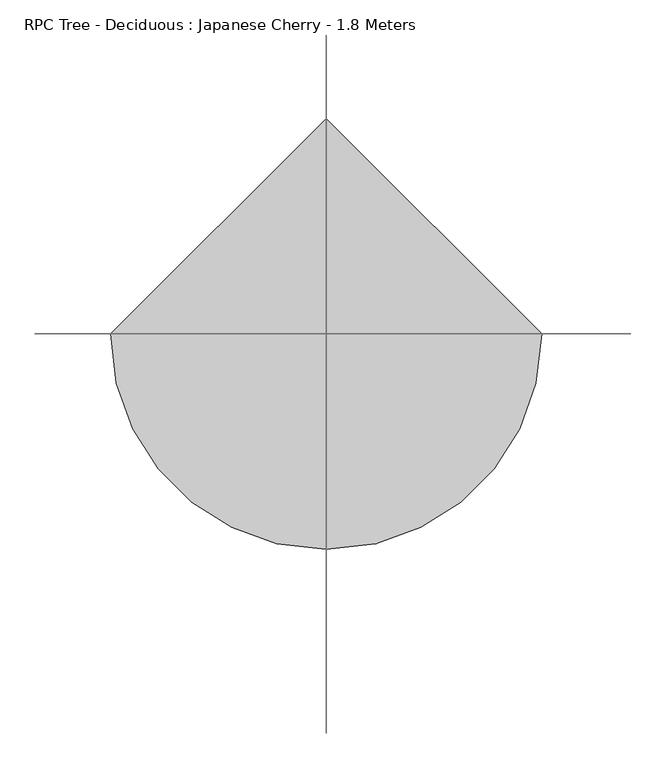
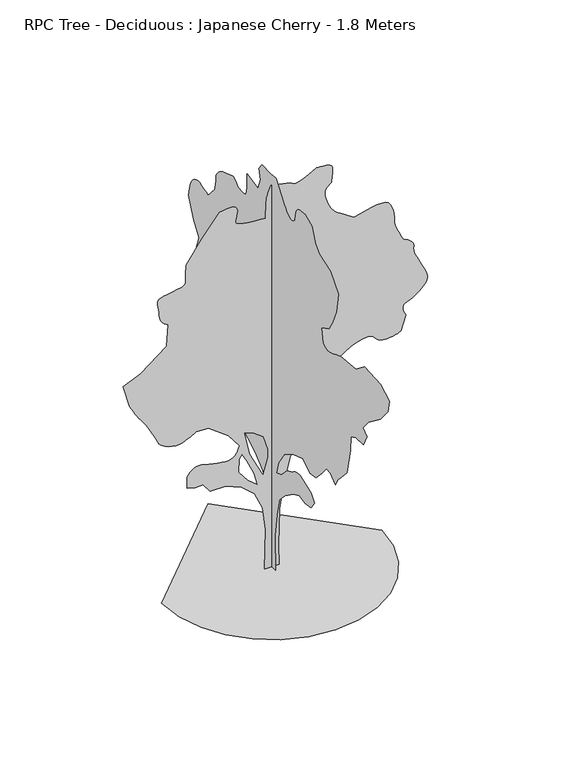
"""IFC4 building model written with IfcOpenShell, lengths in millimetres: geographic element geometry, RPC Tree - Deciduous : Japanese Cherry - 1.8 Meters."""

from ifc_helpers import new_model, si_unit, origin, place, context, project, spatial, triangles, source, transform, mapped, element, save


def rpc_tree_deciduous_japanese_cherry_1_8_meters_42e43ce1(model_context):
    return source(origin(), model_context, "Body", "Tessellation", [
        triangles([(-0.0011035, 29.829025, 0.002344), (-0.0011035, -28.8377224, 0.002344), (-0.0011035, -23.5044179, 157.3351275), (-0.0011035, -39.5043338, 261.3352112), (-0.0011035, -58.1710451, 341.3352699), (-0.0011035, -100.8380855, 386.668295), (-0.0011035, -164.8371406, 432.0023375), (-0.0011035, -207.5041765, 450.6683493), (-0.0011035, -250.1711942, 442.6683652), (-0.0011035, -295.5042375, 450.6683493), (-0.0011035, -319.5042624, 485.3353829), (-0.0011035, -295.5042375, 517.3354282), (-0.0011035, -210.1711648, 546.6684488), (-0.0011035, -202.7541575, 546.0704475), (-0.0011035, -195.4071496, 545.3084301), (-0.0011035, -188.2001585, 544.2194341), (-0.0011035, -181.2031474, 542.6414417), (-0.0011035, -174.4861337, 540.4104369), (-0.0011035, -168.1181358, 537.3624398), (-0.0011035, -162.1711332, 533.3354327), (-0.0011035, -156.2231315, 528.9974344), (-0.0011035, -149.8561237, 525.0784149), (-0.0011035, -143.1391191, 521.5104278), (-0.0011035, -136.1421079, 518.2214207), (-0.0011035, -128.9351078, 515.1434109), (-0.0011035, -121.5880998, 512.2044188), (-0.0011035, -114.1710925, 509.3354078), (-0.0011035, -74.1709587, 466.6683901), (-0.0011035, -34.171027, 450.6683493), (-0.0011035, -50.1710383, 506.6684195), (-0.0011035, -95.5042814, 573.3354621), (-0.0011035, -159.5041267, 613.3355278), (-0.0011035, -234.1711897, 637.3355164), (-0.0011035, -287.5042352, 602.6684827), (-0.0011035, -330.1712711, 608.0024958), (-0.0011035, -375.5042962, 656.0015282), (-0.0011035, -410.1713299, 698.6685459), (-0.0011035, -442.1703578, 696.0015575), (-0.0011035, -476.8373915, 664.002566), (-0.0011035, -498.1703917, 701.3355343), (-0.0011035, -522.1704165, 728.0015665), (-0.0011035, -564.8374706, 773.3356453), (-0.0011035, -591.5034665, 893.3357334), (-0.0011035, -594.1704912, 957.3357513), (-0.0011035, -631.5044769, 973.3347748), (-0.0011035, -690.1705908, 978.6688242), (-0.0011035, -714.1705793, 1029.3308481), (-0.0011035, -684.8375587, 1053.3308367), (-0.0011035, -724.8375881, 1101.3308865), (-0.0011035, -815.5036383, 1170.6709127), (-0.0011035, -874.1706968, 1240.0010559), (-0.0011035, -884.8366882, 1296.0009808), (-0.0011035, -818.1706266, 1333.331115), (-0.0011035, -695.5035501, 1338.6710506), (-0.0011035, -634.1705206, 1290.6710735), (-0.0011035, -516.8374208, 1277.3310448), (-0.0011035, -500.8994039, 1271.0809902), (-0.0011035, -485.3353829, 1265.0409519), (-0.0011035, -470.5163747, 1259.4209461), (-0.0011035, -456.8183736, 1254.4309891), (-0.0011035, -444.6123599, 1250.2809517), (-0.0011035, -434.272366, 1247.1809956), (-0.0011035, -426.1703533, 1245.3309631), (-0.0011035, -418.917344, 1245.2309692), (-0.0011035, -411.2433211, 1246.81096), (-0.0011035, -403.7103144, 1249.4609436), (-0.0011035, -396.8763202, 1252.5809566), (-0.0011035, -391.3023145, 1255.5610073), (-0.0011035, -387.5473111, 1257.7909584), (-0.0011035, -386.1703239, 1258.6709919), (-0.0011035, -372.8373078, 1322.6710098), (-0.0011035, -428.8373417, 1352.0010509), (-0.0011035, -455.504355, 1394.6711208), (-0.0011035, -484.8373755, 1464.0011913), (-0.0011035, -500.8374164, 1552.0011978), (-0.0011035, -439.5043505, 1621.3312683), (-0.0011035, -359.5042917, 1650.6713379), (-0.0011035, -327.5042464, 1680.001379), (-0.0011035, -303.5042397, 1744.0013969), (-0.0011035, -247.5042058, 1765.3314903), (-0.0011035, -238.3841957, 1765.2913765), (-0.0011035, -229.4051834, 1765.0214802), (-0.0011035, -220.7051694, 1764.2814091), (-0.0011035, -212.4251697, 1762.8514091), (-0.0011035, -204.7051649, 1760.4714672), (-0.0011035, -197.6851537, 1756.9414501), (-0.0011035, -191.5041538, 1752.0013447), (-0.0011035, -186.4891438, 1745.821344), (-0.0011035, -182.7341404, 1738.8014236), (-0.0011035, -180.0291457, 1731.0814007), (-0.0011035, -178.163144, 1722.8013828), (-0.0011035, -176.9271366, 1714.1013325), (-0.0011035, -176.1101443, 1705.1213573), (-0.0011035, -175.5041493, 1696.0014198), (-0.0011035, -170.902141, 1690.921352), (-0.0011035, -166.1121354, 1686.2414051), (-0.0011035, -160.9501322, 1682.3614094), (-0.0011035, -155.2281341, 1679.6614288), (-0.0011035, -148.7601241, 1678.5513222), (-0.0011035, -141.358114, 1679.4213272), (-0.0011035, -132.8371043, 1682.6714195), (-0.0011035, -124.3940968, 1687.3913349), (-0.0011035, -117.2110959, 1692.4013489), (-0.0011035, -111.0770863, 1697.641436), (-0.0011035, -105.7820879, 1703.0713371), (-0.0011035, -101.1170837, 1708.6313175), (-0.0011035, -96.8725754, 1714.2914371), (-0.0011035, -92.8375746, 1720.0014084), (-0.0011035, -55.5043428, 1770.671426), (-0.0011035, -31.5043247, 1800.0014671), (-0.0011035, 8.4957268, 1797.3314266), (-0.0011035, 72.4956567, 1800.0014671), (-0.0011035, 96.4955817, 1768.0013855), (-0.0011035, 85.8289726, 1722.6714489), (-0.0011035, 104.4960835, 1672.0012859), (-0.0011035, 187.1621587, 1688.0013268), (-0.0011035, 187.1621587, 1629.3313614), (-0.0011035, 187.7761474, 1620.251247), (-0.0011035, 188.6471516, 1611.4812881), (-0.0011035, 190.0311514, 1603.3713181), (-0.0011035, 192.1851624, 1596.2512585), (-0.0011035, 195.3641653, 1590.4212364), (-0.0011035, 199.827156, 1586.2312305), (-0.0011035, 205.8291697, 1584.0012794), (-0.0011035, 212.6861639, 1583.1712429), (-0.0011035, 219.5431764, 1582.9013466), (-0.0011035, 226.4001888, 1583.0913059), (-0.0011035, 233.257183, 1583.6613293), (-0.0011035, 240.1141954, 1584.5112774), (-0.0011035, 246.9722071, 1585.5413017), (-0.0011035, 253.8292013, 1586.67132), (-0.0011035, 260.118207, 1592.8912891), (-0.0011035, 266.4312119, 1598.7713081), (-0.0011035, 272.7912161, 1603.9512245), (-0.0011035, 279.2202205, 1608.0813503), (-0.0011035, 285.7432235, 1610.8112709), (-0.0011035, 292.3832434, 1611.7912983), (-0.0011035, 299.1622446, 1610.6713085), (-0.0011035, 371.1623011, 1586.67132), (-0.0011035, 381.3783199, 1579.7912167), (-0.0011035, 391.1743063, 1572.7712963), (-0.0011035, 400.1303367, 1565.4713058), (-0.0011035, 407.8273232, 1557.7512829), (-0.0011035, 413.8443252, 1549.471265), (-0.0011035, 417.7623273, 1540.4912899), (-0.0011035, 419.1623508, 1530.6712498), (-0.0011035, 419.473342, 1520.6112534), (-0.0011035, 420.3443281, 1510.9811726), (-0.0011035, 421.6813468, 1501.7012157), (-0.0011035, 423.3913442, 1492.7011837), (-0.0011035, 425.381339, 1483.9011395), (-0.0011035, 427.55835, 1475.2512314), (-0.0011035, 429.8283422, 1466.6712318), (-0.0011035, 480.4953804, 1410.6711617), (-0.0011035, 495.9043962, 1417.4211857), (-0.0011035, 511.1974308, 1423.571101), (-0.0011035, 526.2564317, 1428.5112064), (-0.0011035, 540.9654539, 1431.6312195), (-0.0011035, 555.2084435, 1432.3211483), (-0.0011035, 568.8684746, 1429.9811749), (-0.0011035, 581.8284757, 1424.001162), (-0.0011035, 593.0784794, 1414.7611736), (-0.0011035, 601.9494859, 1403.2711773), (-0.0011035, 608.8374739, 1389.9211201), (-0.0011035, 614.1394758, 1375.0811829), (-0.0011035, 618.2525242, 1359.1211105), (-0.0011035, 621.572525, 1342.411084), (-0.0011035, 624.4955297, 1325.3310219), (-0.0011035, 589.8284597, 1234.6710033), (-0.0011035, 547.1624594, 1176.0009653), (-0.0011035, 581.8284757, 1080.0008657), (-0.0011035, 549.8284304, 1029.3308481), (-0.0011035, 536.767418, 1024.7308382), (-0.0011035, 524.1964193, 1019.9407963), (-0.0011035, 512.6044307, 1014.7807915), (-0.0011035, 502.4813931, 1009.0607918), (-0.0011035, 494.3184102, 1002.5908379), (-0.0011035, 488.6044058, 995.1898361), (-0.0011035, 485.8283761, 986.6687719), (-0.0011035, 484.9193836, 977.6037729), (-0.0011035, 484.4294063, 968.6777916), (-0.0011035, 484.2894075, 959.8697536), (-0.0011035, 484.4294063, 951.1547333), (-0.0011035, 484.7793849, 942.5087494), (-0.0011035, 485.2693986, 933.9107277), (-0.0011035, 485.8283761, 925.334725), (-0.0011035, 475.1623847, 882.6687246), (-0.0011035, 400.4953217, 890.668745), (-0.0011035, 394.2913035, 878.1517038), (-0.0011035, 388.5772991, 865.9607328), (-0.0011035, 383.8423047, 854.423719), (-0.0011035, 380.577315, 843.8657152), (-0.0011035, 379.2712901, 834.6146811), (-0.0011035, 380.4143163, 826.994652), (-0.0011035, 384.4953172, 821.3356951), (-0.0011035, 391.1113014, 816.6396881), (-0.0011035, 399.2203268, 811.8506636), (-0.0011035, 408.3553433, 807.2016741), (-0.0011035, 418.0503548, 802.9256269), (-0.0011035, 427.8383474, 799.2556475), (-0.0011035, 437.2533614, 796.4256603), (-0.0011035, 445.8283467, 794.6686455), (-0.0011035, 453.5953508, 793.1366169), (-0.0011035, 460.9423588, 790.9056484), (-0.0011035, 467.9393881, 788.0916487), (-0.0011035, 474.6563836, 784.8105989), (-0.0011035, 481.1643803, 781.1796432), (-0.0011035, 487.5313972, 777.3156349), (-0.0011035, 493.8283965, 773.3356453), (-0.0011035, 555.1624434, 805.3356543), (-0.0011035, 572.7944704, 809.8366877), (-0.0011035, 589.9374647, 813.9186333), (-0.0011035, 606.1005043, 817.1606592), (-0.0011035, 620.7945202, 819.1426603), (-0.0011035, 633.5294987, 819.4456942), (-0.0011035, 643.8154987, 817.6506729), (-0.0011035, 651.161562, 813.3356747), (-0.0011035, 656.0215124, 807.0766817), (-0.0011035, 659.3405685, 799.8386787), (-0.0011035, 661.3775082, 791.7846645), (-0.0011035, 662.3885656, 783.0766205), (-0.0011035, 662.6295393, 773.8796528), (-0.0011035, 662.3575356, 764.3555975), (-0.0011035, 661.8285707, 754.6686161), (-0.0011035, 652.6625605, 745.0356285), (-0.0011035, 643.3565151, 735.8935993), (-0.0011035, 633.770545, 727.7295628), (-0.0011035, 623.7644697, 721.0355673), (-0.0011035, 613.1984722, 716.3015539), (-0.0011035, 601.9334985, 714.0155743), (-0.0011035, 589.8284597, 714.6685867), (-0.0011035, 577.0084574, 717.4825865), (-0.0011035, 564.0014388, 720.8575985), (-0.0011035, 551.274454, 724.0446133), (-0.0011035, 539.294444, 726.2995628), (-0.0011035, 528.5264239, 726.8746004), (-0.0011035, 519.4384249, 725.024568), (-0.0011035, 512.4954257, 720.0015461), (-0.0011035, 507.2474175, 713.5335543), (-0.0011035, 502.8394017, 707.764575), (-0.0011035, 499.1303985, 702.5795717), (-0.0011035, 495.9824075, 697.8605284), (-0.0011035, 493.2533953, 693.4905916), (-0.0011035, 490.8043805, 689.3545795), (-0.0011035, 488.4954008, 685.3355661), (-0.0011035, 497.5833999, 684.1305525), (-0.0011035, 506.3454014, 682.5525238), (-0.0011035, 514.4544268, 680.2275204), (-0.0011035, 521.5834248, 676.7835445), (-0.0011035, 527.4064342, 671.8465639), (-0.0011035, 531.5974211, 665.0435635), (-0.0011035, 533.8284259, 656.0015282), (-0.0011035, 534.7384357, 645.405518), (-0.0011035, 535.2284494, 634.2484955), (-0.0011035, 535.3684482, 622.6255131), (-0.0011035, 535.2284494, 610.6295156), (-0.0011035, 534.8784345, 598.3534844), (-0.0011035, 534.3884208, 585.8914907), (-0.0011035, 533.8284259, 573.3354621), (-0.0011035, 520.1304248, 563.1274369), (-0.0011035, 506.5244239, 553.3854444), (-0.0011035, 493.1054029, 544.5774427), (-0.0011035, 479.9663793, 537.1684473), (-0.0011035, 467.2013881, 531.6254354), (-0.0011035, 454.9013758, 528.4144395), (-0.0011035, 443.1623757, 528.002437), (-0.0011035, 431.4223583, 529.455437), (-0.0011035, 419.1233271, 531.4694129), (-0.0011035, 406.3573185, 533.9494214), (-0.0011035, 393.2183312, 536.8024449), (-0.0011035, 379.7993102, 539.936447), (-0.0011035, 366.1942904, 543.2554304), (-0.0011035, 352.4952719, 546.6684488), (-0.0011035, 272.4952131, 528.002437), (-0.0011035, 179.1621383, 480.0023872), (-0.0011035, 125.8291019, 450.6683493), (-0.0011035, 64.4956499, 400.0023285), (-0.0011035, 27.1623228, 322.6692581), (-0.0011035, 16.4957137, 213.3351796), (-0.0011035, 27.1623228, 104.0020821), (31.5788251, 0.0001005, 0.0), (-32.421127, 0.0001005, 0.0), (-27.0878224, 8.79e-05, 181.333154), (-40.4210338, 7.95e-05, 285.3332376), (-75.0877587, 7.53e-05, 359.9992833), (-131.0881014, 7.53e-05, 410.6663215), (-200.4211604, 7.12e-05, 439.9993421), (-267.087222, 7.12e-05, 439.9993421), (-299.0882483, 7.12e-05, 479.9993714), (-333.7542646, 7.12e-05, 479.9993714), (-368.4212983, 7.12e-05, 487.9993918), (-368.4212983, 6.7e-05, 538.66643), (-361.5172866, 6.7e-05, 547.7234353), (-354.3332774, 6.7e-05, 556.2674632), (-346.5902907, 6.28e-05, 563.7854636), (-338.0072754, 6.28e-05, 569.7644591), (-328.3042703, 6.28e-05, 573.690455), (-317.202259, 6.28e-05, 575.0514547), (-304.421244, 6.28e-05, 573.3334637), (-289.2452263, 6.28e-05, 569.4924554), (-271.8302283, 6.28e-05, 565.1384697), (-253.2022047, 6.7e-05, 560.7384476), (-234.3881823, 6.7e-05, 556.7574406), (-216.4131712, 6.7e-05, 553.6634434), (-200.3041617, 6.7e-05, 551.9214349), (-187.0871451, 6.7e-05, 551.9994461), (-176.5921462, 6.7e-05, 554.386437), (-167.7761327, 6.7e-05, 559.0124628), (-160.3591254, 6.28e-05, 565.5044721), (-154.0611268, 6.28e-05, 573.4884687), (-148.6041198, 6.28e-05, 582.5924552), (-143.7061175, 6.28e-05, 592.4424717), (-139.0881127, 6.28e-05, 602.6664843), (-187.0871451, 5.86e-05, 666.6665022), (-275.0872242, 5.44e-05, 730.6665928), (-328.4212689, 5.44e-05, 733.3325638), (-337.0272843, 5.44e-05, 728.2015543), (-345.8432796, 5.44e-05, 723.1405987), (-355.0802885, 5.44e-05, 718.2196054), (-364.9453114, 5.44e-05, 713.5076111), (-375.6513076, 5.44e-05, 709.0765589), (-387.406295, 5.44e-05, 704.9945406), (-400.4213073, 5.86e-05, 701.3325548), (-415.3943396, 5.86e-05, 700.0655537), (-432.0473565, 5.86e-05, 702.6235371), (-449.1203696, 5.44e-05, 708.2596029), (-465.3543715, 5.44e-05, 716.2285933), (-479.4883924, 5.44e-05, 725.783606), (-490.2633888, 5.44e-05, 736.178611), (-496.4203895, 5.44e-05, 746.6666336), (-501.79339, 5.44e-05, 759.7425797), (-510.3374179, 5.02e-05, 777.1576504), (-520.9804092, 5.02e-05, 797.0456079), (-532.6504455, 5.02e-05, 817.5386885), (-544.2734279, 5.02e-05, 836.7726889), (-554.7764568, 4.6e-05, 852.881662), (-563.0874684, 4.6e-05, 863.9997334), (-570.1004488, 4.6e-05, 872.8547161), (-577.3924819, 4.6e-05, 883.2497211), (-584.918476, 4.6e-05, 894.9266973), (-592.6304689, 4.6e-05, 907.629701), (-600.4824969, 4.19e-05, 921.1037333), (-608.4284872, 4.19e-05, 935.0897255), (-616.4205139, 4.19e-05, 949.3327515), (-645.7545519, 3.77e-05, 1050.6708246), (-568.4204641, 3.35e-05, 1082.6709063), (-456.4213775, 2.93e-05, 1170.6709127), (-451.0873644, 2.09e-05, 1266.6610565), (-459.0333547, 2.09e-05, 1272.4310532), (-466.6523664, 2.09e-05, 1278.4710915), (-473.6183656, 2.09e-05, 1285.0709793), (-479.6043737, 2.09e-05, 1292.5110775), (-484.2843933, 2.09e-05, 1301.0710201), (-487.3323904, 2.09e-05, 1311.0310226), (-488.4213864, 2.09e-05, 1322.6611267), (-489.3853901, 1.67e-05, 1335.7610538), (-491.5613837, 1.67e-05, 1349.4211212), (-493.8783935, 1.67e-05, 1362.9011124), (-495.2623933, 1.67e-05, 1375.4410446), (-494.6404109, 1.67e-05, 1386.3011375), (-490.9394013, 1.67e-05, 1394.7311462), (-483.0873734, 1.67e-05, 1400.0011734), (-469.3343611, 1.67e-05, 1403.3111458), (-450.4503757, 1.26e-05, 1406.5811497), (-429.1403392, 1.26e-05, 1410.0711983), (-408.1103365, 1.26e-05, 1414.0911564), (-390.065326, 1.26e-05, 1418.8911541), (-377.7113199, 1.26e-05, 1424.7711731), (-373.754294, 1.26e-05, 1432.0011097), (-374.5862926, 1.26e-05, 1440.70116), (-374.8582964, 1.26e-05, 1450.6611626), (-374.6632865, 1.26e-05, 1461.6712463), (-374.0963153, 1.26e-05, 1473.5112213), (-373.2493103, 8.4e-06, 1485.9911282), (-372.2152891, 8.4e-06, 1498.8912128), (-371.0873056, 8.4e-06, 1512.0011684), (-304.421244, 4.2e-06, 1608.001268), (-227.0881918, -4.2e-06, 1704.0013676), (-210.6291674, -4.2e-06, 1706.7413166), (-194.8471547, -4.2e-06, 1708.8113937), (-180.4171489, -4.2e-06, 1709.5314079), (-168.0171427, -4.2e-06, 1708.2114304), (-158.3221313, -4.2e-06, 1704.1913269), (-152.0091263, -4.2e-06, 1696.7913425), (-149.7541223, 0.0, 1685.3314316), (-150.8661183, 0.0, 1672.4213184), (-153.4241199, 0.0, 1661.0413445), (-156.2621189, 0.0, 1651.1213104), (-158.2131263, 0.0, 1642.5413109), (-158.1121332, 0.0, 1635.2212635), (-154.7921323, 0.0, 1629.0713482), (-147.0881149, 0.0, 1624.0013088), (-135.4031087, 0.0, 1619.8912399), (-121.1980982, 0.0, 1616.6312645), (-104.8950871, 4.2e-06, 1614.0613632), (-86.9128726, 4.2e-06, 1612.06134), (-67.6708558, 4.2e-06, 1610.4713207), (-47.5892373, 4.2e-06, 1609.1613716), (-27.0878224, 4.2e-06, 1608.001268), (-24.4210203, 0.0, 1680.001379), (-23.7990197, -4.2e-06, 1690.2113663), (-22.0575176, -4.2e-06, 1700.2713627), (-19.3831147, -4.2e-06, 1710.2213367), (-15.9623126, -4.2e-06, 1720.0813454), (-11.9817098, -4.2e-06, 1729.8714455), (-7.6280262, -4.2e-06, 1739.6114033), (-3.0877024, -4.2e-06, 1749.3314495), (15.1125121, -4.2e-06, 1745.8913979), (32.7996263, -4.2e-06, 1742.4113777), (49.4604394, -4.2e-06, 1738.8413921), (64.5819501, -4.2e-06, 1735.1214157), (77.6509652, -4.2e-06, 1731.2213631), (88.1543757, -4.2e-06, 1727.0813541), (95.578977, -4.2e-06, 1722.6614204), (105.2430855, -4.2e-06, 1721.3713829), (120.9700961, -4.2e-06, 1725.4013695), (140.0101131, -4.2e-06, 1732.8814362), (159.610134, -4.2e-06, 1741.9513767), (177.0171384, -4.2e-06, 1750.7313641), (189.4791502, -8.4e-06, 1757.3713657), (194.2451566, -8.4e-06, 1760.0014378), (198.0861649, -8.4e-06, 1760.0813747), (207.9911744, -8.4e-06, 1759.9713524), (221.5341704, -8.4e-06, 1759.1613728), (236.2901919, -8.4e-06, 1757.1414379), (249.8332061, -4.2e-06, 1753.3913761), (259.7382156, -4.2e-06, 1747.4014801), (263.5792058, -4.2e-06, 1738.6614613), (263.4232196, -4.2e-06, 1728.531411), (262.9882171, -4.2e-06, 1718.6814308), (262.3192173, -4.2e-06, 1709.0714069), (261.4642186, -4.2e-06, 1699.6413139), (260.469203, -4.2e-06, 1690.3513287), (259.380207, 0.0, 1681.1513088), (258.2452108, 0.0, 1672.0012859), (251.4502041, 0.0, 1666.8013126), (245.0291934, 0.0, 1661.3113861), (239.3531954, 0.0, 1655.2012939), (234.7971871, 0.0, 1648.1914021), (231.7341837, 0.0, 1639.9712643), (230.5371819, 0.0, 1630.2313065), (231.5791786, 0.0, 1618.6613731), (234.4861959, 4.2e-06, 1605.8412254), (238.5131849, 4.2e-06, 1592.7812668), (243.4742011, 4.2e-06, 1579.901239), (249.1801937, 4.2e-06, 1567.6312031), (255.4461993, 4.2e-06, 1556.3911915), (262.0862191, 4.2e-06, 1546.5912083), (268.9122196, 8.4e-06, 1538.6613144), (276.9352219, 8.4e-06, 1531.421204), (287.0582232, 8.4e-06, 1523.4712532), (298.9292464, 8.4e-06, 1514.9412506), (312.2012561, 8.4e-06, 1505.951247), (326.5212759, 8.4e-06, 1496.6012363), (341.5412893, 8.4e-06, 1487.031181), (356.9122988, 8.4e-06, 1477.3311916), (383.6563059, 8.4e-06, 1484.651239), (409.7243368, 8.4e-06, 1491.2912407), (434.4393617, 8.4e-06, 1496.571151), (457.1263853, 8.4e-06, 1499.8312717), (477.1063794, 8.4e-06, 1500.3812382), (493.7054026, 8.4e-06, 1497.5511784), (506.2454075, 8.4e-06, 1490.6611919), (515.2794127, 8.4e-06, 1479.4611488), (522.0274384, 1.26e-05, 1465.0412441), (526.8164266, 1.26e-05, 1448.7511047), (529.9734286, 1.26e-05, 1431.9511127), (531.8234247, 1.26e-05, 1415.9911858), (532.6944471, 1.67e-05, 1402.221096), (532.9124207, 1.67e-05, 1392.0010803), (534.9804268, 1.67e-05, 1381.1011642), (540.3134225, 1.67e-05, 1365.8611061), (547.6054556, 1.67e-05, 1348.4810623), (555.5514459, 2.09e-05, 1331.1411324), (562.84446, 2.09e-05, 1316.0410366), (568.1774557, 2.09e-05, 1305.3710484), (570.2454618, 2.09e-05, 1301.3310333), (573.0364614, 2.09e-05, 1300.221072), (580.1654594, 2.09e-05, 1297.0110935), (589.7674896, 2.09e-05, 1291.8910572), (599.9754785, 2.09e-05, 1285.0410393), (608.9234788, 2.09e-05, 1276.6509991), (614.7464882, 2.09e-05, 1266.9110413), (615.5784868, 2.51e-05, 1256.0009514), (614.5364719, 2.51e-05, 1244.8410221), (615.7345093, 2.51e-05, 1234.0110146), (618.7974764, 2.51e-05, 1223.181007), (623.353521, 2.51e-05, 1212.0309608), (629.0285379, 2.51e-05, 1200.2209986), (635.4505297, 2.93e-05, 1187.4309362), (642.2455364, 2.93e-05, 1173.3309248), (650.0045105, 2.93e-05, 1158.0409424), (658.6035496, 2.93e-05, 1142.0908985), (666.5955036, 2.93e-05, 1125.8208887), (672.5345306, 3.35e-05, 1109.5508789), (674.9765327, 3.35e-05, 1093.6009077), (672.4725431, 3.35e-05, 1078.3108526), (663.5785366, 3.35e-05, 1064.0008249), (651.5985266, 3.77e-05, 1051.5308739), (640.5505091, 3.77e-05, 1041.3008297), (630.0624865, 3.77e-05, 1032.9308464), (619.7615164, 3.77e-05, 1026.0608442), (609.2734938, 3.77e-05, 1020.3108318), (598.2264936, 3.77e-05, 1015.3008179), (586.2454662, 3.77e-05, 1010.6707952), (576.0844585, 3.77e-05, 1005.3208311), (570.2604681, 3.77e-05, 998.5687723), (568.0524633, 3.77e-05, 990.6547932), (568.7374506, 4.19e-05, 981.8067867), (571.5904741, 4.19e-05, 972.2597677), (575.8894486, 4.19e-05, 962.2467888), (580.9124705, 4.19e-05, 951.9997398), (559.578453, 4.6e-05, 885.3327335), (552.07644, 4.6e-05, 881.9357025), (544.1304497, 4.6e-05, 878.7247066), (535.2984306, 4.6e-05, 875.8867258), (525.1374229, 4.6e-05, 873.6087399), (513.203413, 4.6e-05, 872.0777287), (499.0534046, 4.6e-05, 871.47871), (482.2453826, 4.6e-05, 871.9996811), (467.1473943, 4.6e-05, 875.4586996), (456.8073641, 4.6e-05, 882.370705), (448.79935, 4.6e-05, 890.9617504), (440.6983546, 4.6e-05, 899.4587608), (430.0783633, 4.6e-05, 906.0906961), (414.513325, 4.6e-05, 909.0837547), (391.5783151, 4.6e-05, 906.6657337), (365.0603116, 4.6e-05, 899.1326906), (340.7332718, 4.6e-05, 888.520693), (319.1592616, 4.6e-05, 875.6687159), (300.8962412, 4.6e-05, 861.4187136), (286.5062402, 4.6e-05, 846.607699), (276.5462195, 5.02e-05, 832.0776993), (271.5792262, 5.02e-05, 818.6666719), (271.4702212, 5.02e-05, 806.7166746), (275.2792183, 5.02e-05, 795.8866671), (282.3542225, 5.02e-05, 785.9896694), (292.0412403, 5.02e-05, 776.8396465), (303.6872409, 5.44e-05, 768.2486012), (316.6402657, 5.44e-05, 760.0306435), (330.2452492, 5.44e-05, 751.999593), (338.1832821, 5.44e-05, 746.8216387), (345.7482636, 5.44e-05, 741.4335955), (352.5662704, 5.44e-05, 735.6266098), (358.2653049, 5.44e-05, 729.1895754), (362.4712981, 5.44e-05, 721.9125486), (364.8113079, 5.44e-05, 713.585586), (364.9122828, 5.44e-05, 703.9995432), (363.8473042, 5.86e-05, 692.3145733), (362.922288, 5.86e-05, 678.1105711), (362.1132895, 5.86e-05, 661.8075691), (361.3982895, 5.86e-05, 643.8245098), (360.7522897, 6.28e-05, 624.5825157), (360.1542884, 6.28e-05, 604.501474), (359.5783061, 6.28e-05, 583.9994551), (345.8492749, 6.28e-05, 573.8304537), (332.0262815, 6.28e-05, 564.3614459), (318.0162718, 6.7e-05, 556.2914443), (303.7262465, 6.7e-05, 550.3204425), (289.0642417, 6.7e-05, 547.1484341), (273.9342241, 6.7e-05, 547.4744316), (258.2452108, 6.7e-05, 551.9994461), (242.4792037, 6.7e-05, 558.0014417), (227.1321754, 6.7e-05, 562.4644687), (212.1341628, 6.28e-05, 565.6444708), (197.417165, 6.28e-05, 567.7974644), (182.9101471, 6.28e-05, 569.1814642), (168.543128, 6.28e-05, 570.0524503), (154.2451272, 6.28e-05, 570.6664753), (108.912084, 6.7e-05, 541.3334547), (79.5789634, 7.12e-05, 474.6663757), (50.2455386, 7.53e-05, 362.666308), (34.2456273, 8.37e-05, 253.3332105), (28.9122228, 9.21e-05, 93.3332747), (-37.7544315, 3.35e-05, 431.999358), (-16.4211134, 2.93e-05, 506.666421), (-16.4211134, 2.51e-05, 543.9994257), (-35.0876294, 2.09e-05, 607.99948), (-83.0875701, 2.09e-05, 642.6665136), (-120.4211017, 2.09e-05, 655.9995661), (-96.4210768, 2.51e-05, 549.3334388), (-61.754252, 2.51e-05, 397.3333054), (-77.7542656, 2.51e-05, 455.9993829), (-107.0880856, 2.09e-05, 519.9994371), (-128.4211039, 1.67e-05, 559.9994665), (-141.7541109, 1.67e-05, 541.3334547), (-144.4211175, 2.09e-05, 482.6663961), (-104.4210881, 2.51e-05, 431.999358), (-477.5263756, 0.0, 0.0018082), (-464.9023642, -109.4170858, 0.0018082), (-428.9483451, -209.9001785, 0.0018082), (-372.5443025, -298.5682401, 0.0018082), (-298.5682401, -372.5443025, 0.0018082), (-209.9001785, -428.9483451, 0.0018082), (-109.4170858, -464.9023642, 0.0018082), (2.09e-05, -477.5263756, 0.0018082), (109.4170858, -464.9023642, 0.0018082), (209.9001785, -428.9483451, 0.0018082), (298.5682401, -372.5443025, 0.0018082), (372.5443025, -298.5682401, 0.0018082), (428.9483451, -209.9001785, 0.0018082), (464.9023642, -109.4170858, 0.0018082), (477.5263756, 4.19e-05, 0.0018082), (-6.26e-05, 477.5263756, 0.0018082)], [[38, 39, 40], [115, 116, 117], [1, 2, 3], [280, 1, 3], [279, 280, 3], [279, 3, 4], [278, 279, 4], [278, 4, 5], [186, 187, 188], [277, 278, 5], [46, 47, 48], [45, 46, 48], [277, 5, 6], [185, 186, 188], [10, 11, 12], [9, 10, 12], [9, 12, 13], [8, 9, 13], [8, 13, 14], [8, 14, 15], [8, 15, 16], [8, 16, 17], [8, 17, 18], [8, 18, 19], [8, 19, 20], [8, 20, 21], [7, 8, 21], [7, 21, 22], [7, 22, 23], [7, 23, 24], [7, 24, 25], [7, 25, 26], [6, 7, 26], [6, 26, 27], [6, 27, 28], [277, 6, 28], [277, 28, 29], [51, 52, 53], [50, 51, 53], [50, 53, 54], [50, 54, 55], [49, 50, 55], [49, 55, 56], [48, 49, 56], [48, 56, 57], [45, 48, 57], [44, 45, 57], [44, 57, 58], [44, 58, 59], [44, 59, 60], [44, 60, 61], [44, 61, 62], [44, 62, 63], [276, 277, 29], [276, 29, 30], [184, 185, 188], [183, 184, 188], [44, 63, 64], [115, 117, 118], [111, 112, 113], [111, 113, 114], [182, 183, 188], [109, 110, 111], [109, 111, 114], [108, 109, 114], [108, 114, 115], [107, 108, 115], [106, 107, 115], [105, 106, 115], [104, 105, 115], [115, 118, 119], [170, 171, 172], [170, 172, 173], [170, 173, 174], [170, 174, 175], [74, 75, 76], [74, 76, 77], [73, 74, 77], [72, 73, 77], [71, 72, 77], [258, 259, 260], [181, 182, 188], [78, 79, 80], [170, 175, 176], [103, 104, 115], [78, 80, 81], [44, 64, 65], [275, 276, 30], [275, 30, 31], [274, 275, 31], [78, 81, 82], [78, 82, 83], [78, 83, 84], [78, 84, 85], [78, 85, 86], [78, 86, 87], [78, 87, 88], [78, 88, 89], [78, 89, 90], [78, 90, 91], [78, 91, 92], [78, 92, 93], [78, 93, 94], [78, 94, 95], [78, 95, 96], [71, 77, 78], [71, 78, 96], [71, 96, 97], [71, 97, 98], [71, 98, 99], [71, 99, 100], [115, 119, 120], [180, 181, 188], [38, 40, 41], [223, 224, 225], [33, 34, 35], [33, 35, 36], [33, 36, 37], [102, 103, 115], [179, 180, 188], [44, 65, 66], [170, 176, 177], [71, 100, 101], [43, 44, 66], [42, 43, 66], [41, 42, 66], [38, 41, 66], [37, 38, 66], [33, 37, 66], [33, 66, 67], [33, 67, 68], [33, 68, 69], [33, 69, 70], [32, 33, 70], [31, 32, 70], [274, 31, 70], [273, 274, 70], [273, 70, 71], [273, 71, 101], [273, 101, 102], [273, 102, 115], [273, 115, 120], [273, 120, 121], [273, 121, 122], [273, 122, 123], [273, 123, 124], [273, 124, 125], [273, 125, 126], [273, 126, 127], [273, 127, 128], [273, 128, 129], [273, 129, 130], [273, 130, 131], [272, 273, 131], [271, 272, 131], [270, 271, 131], [269, 270, 131], [268, 269, 131], [268, 131, 132], [268, 132, 133], [268, 133, 134], [167, 168, 169], [257, 258, 260], [257, 260, 261], [256, 257, 261], [256, 261, 262], [255, 256, 262], [255, 262, 263], [254, 255, 263], [254, 263, 264], [254, 264, 265], [254, 265, 266], [254, 266, 267], [254, 267, 268], [253, 254, 268], [252, 253, 268], [251, 252, 268], [250, 251, 268], [249, 250, 268], [248, 249, 268], [247, 248, 268], [246, 247, 268], [245, 246, 268], [166, 167, 169], [165, 166, 169], [164, 165, 169], [163, 164, 169], [162, 163, 169], [161, 162, 169], [160, 161, 169], [159, 160, 169], [158, 159, 169], [157, 158, 169], [156, 157, 169], [155, 156, 169], [154, 155, 169], [154, 169, 170], [154, 170, 177], [153, 154, 177], [153, 177, 178], [153, 178, 179], [153, 179, 188], [222, 223, 225], [222, 225, 226], [221, 222, 226], [220, 221, 226], [219, 220, 226], [218, 219, 226], [217, 218, 226], [216, 217, 226], [215, 216, 226], [214, 215, 226], [213, 214, 226], [212, 213, 226], [212, 226, 227], [212, 227, 228], [212, 228, 229], [212, 229, 230], [212, 230, 231], [211, 212, 231], [211, 231, 232], [211, 232, 233], [210, 211, 233], [209, 210, 233], [209, 233, 234], [209, 234, 235], [209, 235, 236], [209, 236, 237], [209, 237, 238], [209, 238, 239], [209, 239, 240], [208, 209, 240], [208, 240, 241], [207, 208, 241], [206, 207, 241], [206, 241, 242], [205, 206, 242], [204, 205, 242], [204, 242, 243], [203, 204, 243], [202, 203, 243], [202, 243, 244], [201, 202, 244], [201, 244, 245], [201, 245, 268], [200, 201, 268], [199, 200, 268], [198, 199, 268], [197, 198, 268], [196, 197, 268], [195, 196, 268], [194, 195, 268], [153, 188, 189], [153, 189, 190], [152, 153, 190], [152, 190, 191], [151, 152, 191], [136, 137, 138], [135, 136, 138], [135, 138, 139], [134, 135, 139], [134, 139, 140], [134, 140, 141], [134, 141, 142], [134, 142, 143], [134, 143, 144], [134, 144, 145], [134, 145, 146], [134, 146, 147], [134, 147, 148], [134, 148, 149], [134, 149, 150], [134, 150, 151], [134, 151, 191], [134, 191, 192], [134, 192, 193], [268, 134, 193], [194, 268, 193], [583, 580, 581], [574, 281, 575], [580, 583, 584], [573, 574, 575], [583, 581, 575], [580, 584, 585], [572, 573, 575], [582, 583, 575], [582, 575, 281], [571, 572, 575], [571, 575, 576], [281, 282, 283], [570, 571, 576], [570, 576, 577], [344, 345, 346], [290, 291, 292], [406, 407, 408], [570, 577, 578], [290, 292, 293], [289, 290, 293], [289, 293, 294], [289, 294, 295], [289, 295, 296], [289, 296, 297], [289, 297, 298], [289, 298, 299], [289, 299, 300], [289, 300, 301], [289, 301, 302], [289, 302, 303], [288, 289, 303], [287, 288, 303], [287, 303, 304], [287, 304, 305], [287, 305, 306], [286, 287, 306], [286, 306, 307], [286, 307, 308], [286, 308, 309], [569, 570, 578], [554, 555, 556], [405, 406, 408], [343, 344, 346], [512, 513, 514], [511, 512, 514], [511, 514, 515], [511, 515, 516], [511, 516, 517], [510, 511, 517], [510, 517, 518], [510, 518, 519], [510, 519, 520], [510, 520, 521], [510, 521, 522], [510, 522, 523], [510, 523, 524], [509, 510, 524], [509, 524, 525], [508, 509, 525], [434, 435, 436], [342, 343, 346], [507, 508, 525], [507, 525, 526], [405, 408, 409], [404, 405, 409], [403, 404, 409], [403, 409, 410], [402, 403, 410], [401, 402, 410], [400, 401, 410], [400, 410, 411], [399, 400, 411], [399, 411, 412], [399, 412, 413], [399, 413, 414], [399, 414, 415], [377, 378, 379], [341, 342, 346], [341, 346, 347], [340, 341, 347], [339, 340, 347], [338, 339, 347], [337, 338, 347], [336, 337, 347], [335, 336, 347], [334, 335, 347], [333, 334, 347], [377, 379, 380], [377, 380, 381], [377, 381, 382], [377, 382, 383], [377, 383, 384], [377, 384, 385], [377, 385, 386], [377, 386, 387], [377, 387, 388], [377, 388, 389], [377, 389, 390], [377, 390, 391], [376, 377, 391], [376, 391, 392], [375, 376, 392], [374, 375, 392], [373, 374, 392], [372, 373, 392], [372, 392, 393], [371, 372, 393], [370, 371, 393], [369, 370, 393], [369, 393, 394], [369, 394, 395], [369, 395, 396], [332, 333, 347], [369, 396, 397], [426, 427, 428], [426, 428, 429], [425, 426, 429], [425, 429, 430], [424, 425, 430], [424, 430, 431], [423, 424, 431], [423, 431, 432], [422, 423, 432], [422, 432, 433], [421, 422, 433], [420, 421, 433], [419, 420, 433], [418, 419, 433], [418, 433, 434], [418, 434, 436], [418, 436, 437], [418, 437, 438], [418, 438, 439], [417, 418, 439], [417, 439, 440], [416, 417, 440], [416, 440, 441], [415, 416, 441], [399, 415, 441], [399, 441, 442], [399, 442, 443], [399, 443, 444], [399, 444, 445], [399, 445, 446], [399, 446, 447], [399, 447, 448], [399, 448, 449], [369, 397, 398], [331, 332, 347], [368, 369, 398], [360, 361, 362], [359, 360, 362], [359, 362, 363], [358, 359, 363], [358, 363, 364], [357, 358, 364], [357, 364, 365], [356, 357, 365], [355, 356, 365], [355, 365, 366], [354, 355, 366], [353, 354, 366], [352, 353, 366], [351, 352, 366], [350, 351, 366], [349, 350, 366], [348, 349, 366], [348, 366, 367], [348, 367, 368], [348, 368, 398], [347, 348, 398], [347, 398, 399], [347, 399, 449], [347, 449, 450], [347, 450, 451], [347, 451, 452], [331, 347, 452], [331, 452, 453], [331, 453, 454], [331, 454, 455], [331, 455, 456], [330, 331, 456], [329, 330, 456], [328, 329, 456], [327, 328, 456], [326, 327, 456], [325, 326, 456], [324, 325, 456], [323, 324, 456], [322, 323, 456], [321, 322, 456], [320, 321, 456], [319, 320, 456], [318, 319, 456], [317, 318, 456], [316, 317, 456], [315, 316, 456], [314, 315, 456], [314, 456, 457], [314, 457, 458], [314, 458, 459], [314, 459, 460], [314, 460, 461], [314, 461, 462], [314, 462, 463], [314, 463, 464], [314, 464, 465], [314, 465, 466], [314, 466, 467], [314, 467, 468], [314, 468, 469], [314, 469, 470], [314, 470, 471], [314, 471, 472], [314, 472, 473], [314, 473, 474], [314, 474, 475], [314, 475, 476], [314, 476, 477], [314, 477, 478], [314, 478, 479], [314, 479, 480], [314, 480, 481], [314, 481, 482], [314, 482, 483], [314, 483, 484], [314, 484, 485], [314, 485, 486], [314, 486, 487], [314, 487, 488], [314, 488, 489], [314, 489, 490], [314, 490, 491], [314, 491, 492], [314, 492, 493], [314, 493, 494], [314, 494, 495], [314, 495, 496], [314, 496, 497], [314, 497, 498], [314, 498, 499], [314, 499, 500], [314, 500, 501], [314, 501, 502], [580, 585, 586], [554, 556, 557], [553, 554, 557], [553, 557, 558], [553, 558, 559], [553, 559, 560], [553, 560, 561], [553, 561, 562], [553, 562, 563], [552, 553, 563], [552, 563, 564], [551, 552, 564], [550, 551, 564], [550, 564, 565], [549, 550, 565], [549, 565, 566], [548, 549, 566], [547, 548, 566], [546, 547, 566], [545, 546, 566], [544, 545, 566], [543, 544, 566], [542, 543, 566], [541, 542, 566], [540, 541, 566], [539, 540, 566], [538, 539, 566], [538, 566, 567], [537, 538, 567], [537, 567, 568], [537, 568, 569], [537, 569, 578], [536, 537, 578], [535, 536, 578], [535, 578, 579], [534, 535, 579], [534, 579, 580], [533, 534, 580], [532, 533, 580], [507, 526, 527], [506, 507, 527], [531, 532, 580], [506, 527, 528], [530, 531, 580], [281, 283, 284], [582, 281, 284], [582, 284, 285], [582, 285, 286], [588, 582, 286], [587, 588, 286], [587, 286, 309], [586, 587, 309], [586, 309, 310], [586, 310, 311], [586, 311, 312], [586, 312, 313], [580, 586, 313], [580, 313, 314], [530, 580, 314], [529, 530, 314], [502, 503, 504], [502, 504, 505], [314, 502, 505], [529, 314, 505], [529, 505, 506], [529, 506, 528], [603, 604, 589], [602, 603, 589], [602, 589, 590], [601, 602, 590], [601, 590, 591], [601, 591, 592], [600, 601, 592], [599, 600, 592], [599, 592, 593], [599, 593, 594], [599, 594, 595], [599, 595, 596], [599, 596, 597], [599, 597, 598]], closed=False),
    ])


if __name__ == "__main__":
    model = new_model("IFC4")
    model_context = context("Model", 3, world=origin())
    ifc_project = project(units=[si_unit("LENGTHUNIT", "METRE", prefix="MILLI")], contexts=[model_context])
    site = spatial("IfcSite", under=ifc_project)
    building = spatial("IfcBuilding", under=site)
    placement = place(None, origin())
    rpc_tree_deciduous_japanese_cherry_1_8_meters_shape = rpc_tree_deciduous_japanese_cherry_1_8_meters_42e43ce1(model_context)
    element("IfcGeographicElement", 1, ObjectType="RPC Tree - Deciduous : Japanese Cherry - 1.8 Meters", at=placement, inside=building, context=model_context, shape_type="MappedRepresentation", body=[
        mapped(rpc_tree_deciduous_japanese_cherry_1_8_meters_shape, transform((0.0, 0.0, 0.0), x_axis=(1.0, 0.0, 0.0), y_axis=(0.0, 1.0, 0.0), z_axis=(0.0, 0.0, 1.0))),
    ])
    save(model, "model.ifc")
